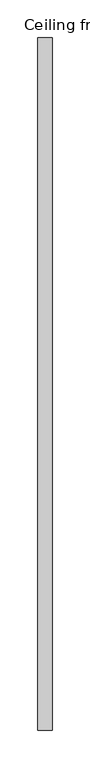
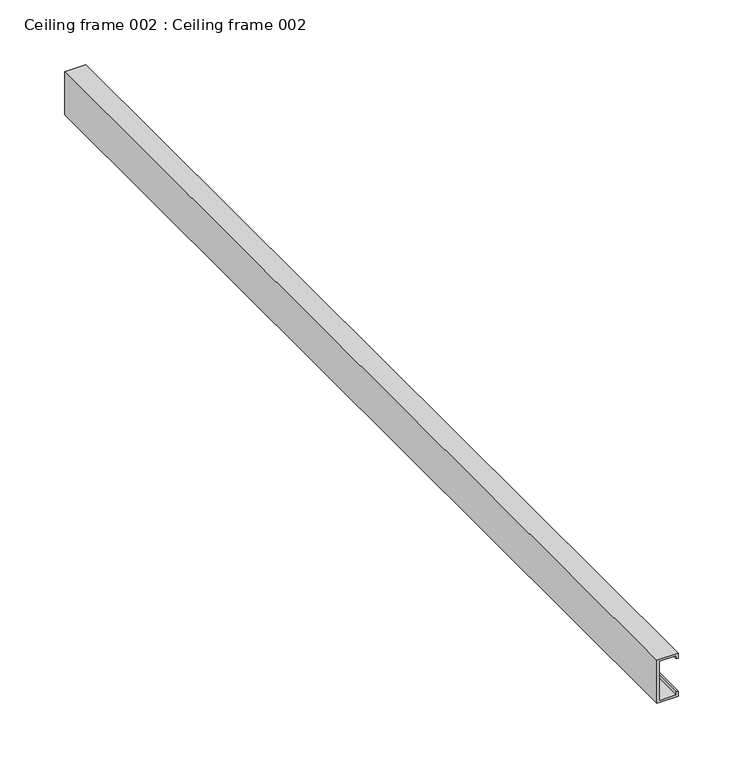
"""IFC4 building model written with IfcOpenShell, lengths in millimetres: proxy geometry, Ceiling frame 002 : Ceiling frame 002."""

from ifc_helpers import new_model, si_unit, frame, origin, place, context, project, spatial, polyline, outline, extrude, source, transform, mapped, element, save


def ceiling_frame_002_ceiling_frame_002_2671a73d(model_context):
    return source(origin(), model_context, "Body", "SweptSolid", [
        extrude(outline(polyline([(3018.8598856, 36649.7297382), (3023.6587137, 36649.7297382), (3023.6587137, 36630.8820819), (2983.0376211, 36630.8820819), (2983.0376211, 36649.7297358), (2987.8364481, 36649.7297358), (2987.8364481, 36647.9074704), (2984.8598866, 36647.9074704), (2984.8598866, 36632.7043474), (3021.8364482, 36632.7043474), (3021.8364482, 36647.9074722), (3018.8598856, 36647.9074722), (3018.8598856, 36649.7297382)])), frame((0.0, -19576.8264254, 0.0), z_axis=(0.0, 1.0, 0.0), x_axis=(0.0, 0.0, 1.0)), (0.0, 0.0, 1.0), 914.3999924),
    ])


if __name__ == "__main__":
    model = new_model("IFC4")
    model_context = context("Model", 3, world=origin())
    ifc_project = project(units=[si_unit("LENGTHUNIT", "METRE", prefix="MILLI")], contexts=[model_context])
    site = spatial("IfcSite", under=ifc_project)
    building = spatial("IfcBuilding", under=site)
    placement = place(None, origin())
    ceiling_frame_002_ceiling_frame_002_shape = ceiling_frame_002_ceiling_frame_002_2671a73d(model_context)
    element("IfcBuildingElementProxy", 1, Name="Ceiling frame 002 : Ceiling frame 002", ObjectType="Ceiling frame 002 : Ceiling frame 002", at=placement, inside=building, context=model_context, shape_type="MappedRepresentation", body=[
        mapped(ceiling_frame_002_ceiling_frame_002_shape, transform((0.0, 0.0, 0.0), x_axis=(1.0, 0.0, 0.0), y_axis=(0.0, 1.0, 0.0), z_axis=(0.0, 0.0, 1.0))),
    ])
    save(model, "model.ifc")
